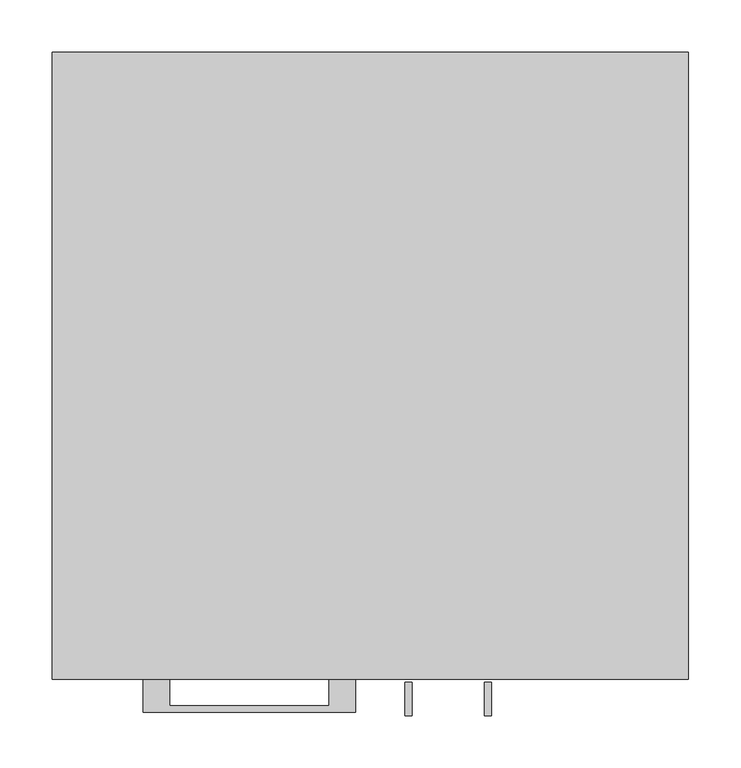
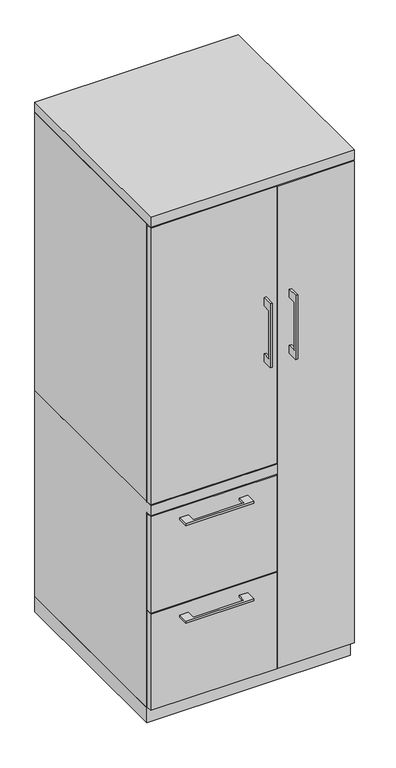
"""IFC4 building model written with IfcOpenShell, lengths in millimetres: furniture geometry."""

from ifc_helpers import new_model, si_unit, frame, origin, origin_with_axes, place, context, project, spatial, polyline, outline, extrude, faceted_brep, source, transform, mapped, element, save


def furniture_3a219cf6(model_context):
    return source(origin(), model_context, "Body", "SolidModel", [
        extrude(outline(polyline([(-603.25, 1216.025), (-628.6499758, 1216.025), (-628.6499758, 1063.625), (-603.25, 1063.625), (-603.25, 1038.225), (-634.9999879, 1038.225), (-634.9999879, 1241.425), (-603.25, 1241.425), (-603.25, 1216.025)])), frame((33.3375121, 0.0, 0.0), z_axis=(1.0, 0.0, 0.0), x_axis=(0.0, 1.0, 0.0)), (0.0, 0.0, 1.0), 6.3499758),
        extrude(outline(polyline([(-304.8, -600.075), (-304.8, -581.025), (73.025, -581.025), (73.025, -600.075), (-304.8, -600.075)])), frame((0.0, 0.0, 701.675), z_axis=(0.0, 0.0, 1.0), x_axis=(1.0, 0.0, 0.0)), (0.0, 0.0, 1.0), 876.3),
        extrude(outline(polyline([(-192.0874818, -600.075), (-192.0874818, -625.4749758), (-39.6875, -625.4749758), (-39.6875, -600.075), (-14.2875061, -600.075), (-14.2875061, -631.8249879), (-217.4874939, -631.8249879), (-217.4874939, -600.075), (-192.0874818, -600.075)])), frame((0.0, 0.0, 623.8875506), z_axis=(0.0, 0.0, 1.0), x_axis=(1.0, 0.0, 0.0)), (0.0, 0.0, 1.0), 6.3499758),
        extrude(outline(polyline([(73.025, -581.025), (73.025, -600.075), (-304.8, -600.075), (-304.8, -581.025), (73.025, -581.025)])), frame((0.0, 0.0, 358.775), z_axis=(0.0, 0.0, 1.0), x_axis=(1.0, 0.0, 0.0)), (0.0, 0.0, 1.0), 304.8),
        extrude(outline(polyline([(-603.25, 1216.025), (-628.6499758, 1216.025), (-628.6499758, 1063.625), (-603.25, 1063.625), (-603.25, 1038.225), (-634.9999879, 1038.225), (-634.9999879, 1241.425), (-603.25, 1241.425), (-603.25, 1216.025)])), frame((109.5375121, 0.0, 0.0), z_axis=(1.0, 0.0, 0.0), x_axis=(0.0, 1.0, 0.0)), (0.0, 0.0, 1.0), 6.3499758),
        extrude(outline(polyline([(304.8, -600.075), (76.2, -600.075), (76.2, -581.025), (304.8, -581.025), (304.8, -600.075)])), frame((0.0, 0.0, 50.8), z_axis=(0.0, 0.0, 1.0), x_axis=(1.0, 0.0, 0.0)), (0.0, 0.0, 1.0), 1527.175),
        extrude(outline(polyline([(-192.0874818, -600.075), (-192.0874818, -625.4749758), (-39.6875, -625.4749758), (-39.6875, -600.075), (-14.2875061, -600.075), (-14.2875061, -631.8249879), (-217.4874939, -631.8249879), (-217.4874939, -600.075), (-192.0874818, -600.075)])), frame((0.0, 0.0, 315.9125506), z_axis=(0.0, 0.0, 1.0), x_axis=(1.0, 0.0, 0.0)), (0.0, 0.0, 1.0), 6.3499758),
        extrude(outline(polyline([(73.025, -581.025), (73.025, -600.075), (-304.8, -600.075), (-304.8, -581.025), (73.025, -581.025)])), frame((0.0, 0.0, 50.8), z_axis=(0.0, 0.0, 1.0), x_axis=(1.0, 0.0, 0.0)), (0.0, 0.0, 1.0), 304.8),
        faceted_brep([(-304.8, -581.025, 47.625), (-304.8, 0.0, 47.625), (76.2, 0.0, 47.625), (76.2, -581.025, 47.625), (-304.8, 0.0, 698.5), (76.2, 0.0, 698.5), (-304.8, -581.025, 666.75), (-304.8, -600.075, 666.75), (-304.8, -600.075, 698.5), (76.2, -581.025, 666.75), (57.15, -581.025, 666.75), (76.2, -581.025, 1581.15), (57.15, -581.025, 1581.15), (57.15, -581.025, 698.5), (76.2, -581.025, 698.5), (76.2, -19.05, 698.5), (76.2, -19.05, 1581.15), (76.2, -600.075, 698.5), (76.2, -600.075, 666.75), (57.15, -19.05, 1581.15), (57.15, -19.05, 698.5)], [[[0, 1, 2, 3]], [[2, 1, 4, 5]], [[4, 1, 0, 6, 7, 8]], [[6, 0, 3, 9, 10]], [[11, 12, 13, 14]], [[2, 5, 15, 16, 11, 14, 17, 18, 9, 3]], [[16, 19, 12, 11]], [[19, 16, 15, 20]], [[12, 19, 20, 13]], [[5, 4, 8, 17, 14, 13, 20, 15]], [[18, 7, 6, 10, 9]], [[17, 8, 7, 18]]]),
        extrude(outline(polyline([(76.2, 0.0), (76.2, -19.05), (-285.75, -19.05), (-285.75, -581.025), (-304.8, -581.025), (-304.8, 0.0), (76.2, 0.0)])), frame((0.0, 0.0, 698.5), z_axis=(0.0, 0.0, 1.0), x_axis=(1.0, 0.0, 0.0)), (0.0, 0.0, 1.0), 882.65),
        extrude(outline(polyline([(304.8, 0.0), (304.8, -581.025), (285.75, -581.025), (285.75, -19.05), (76.2, -19.05), (76.2, 0.0), (304.8, 0.0)])), frame((0.0, 0.0, 47.625), z_axis=(0.0, 0.0, 1.0), x_axis=(1.0, 0.0, 0.0)), (0.0, 0.0, 1.0), 1533.525),
        extrude(outline(polyline([(304.8, 0.0), (304.8, -600.075), (-304.8, -600.075), (-304.8, 0.0), (304.8, 0.0)])), frame((0.0, 0.0, 1581.15), z_axis=(0.0, 0.0, 1.0), x_axis=(1.0, 0.0, 0.0)), (0.0, 0.0, 1.0), 31.75),
        extrude(outline(polyline([(304.8, 0.0), (304.8, -581.025), (-304.8, -581.025), (-304.8, 0.0), (304.8, 0.0)])), origin_with_axes(), (0.0, 0.0, 1.0), 47.625),
    ])


if __name__ == "__main__":
    model = new_model("IFC4")
    model_context = context("Model", 3, world=origin())
    ifc_project = project(units=[si_unit("LENGTHUNIT", "METRE", prefix="MILLI")], contexts=[model_context])
    site = spatial("IfcSite", under=ifc_project)
    building = spatial("IfcBuilding", under=site)
    placement = place(None, origin())
    furniture_shape = furniture_3a219cf6(model_context)
    element("IfcFurniture", 1, at=placement, inside=building, context=model_context, shape_type="MappedRepresentation", body=[
        mapped(furniture_shape, transform((0.0, 0.0, 0.0), x_axis=(1.0, 0.0, 0.0), y_axis=(0.0, 1.0, 0.0), z_axis=(0.0, 0.0, 1.0))),
    ])
    save(model, "model.ifc")
